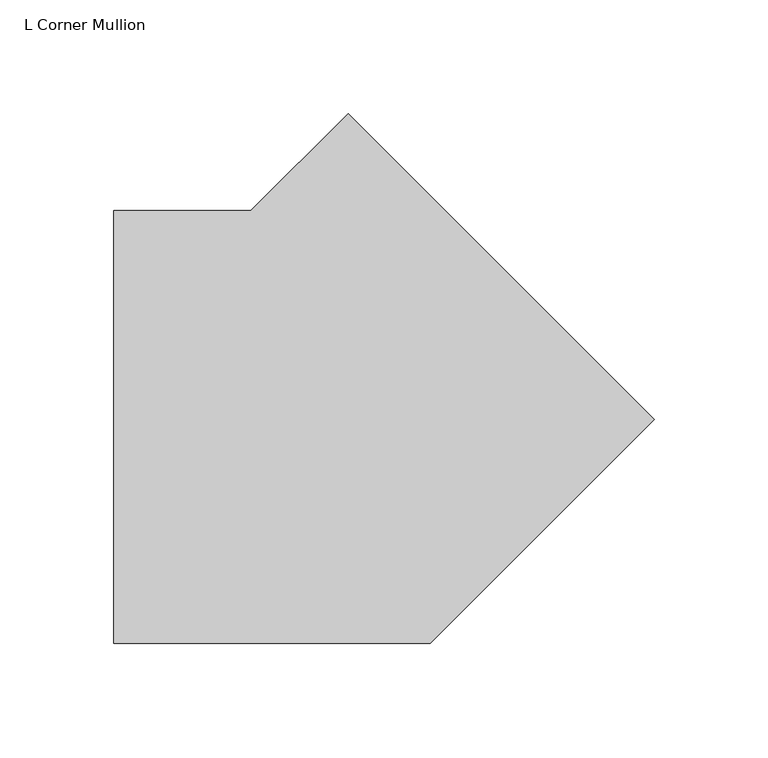
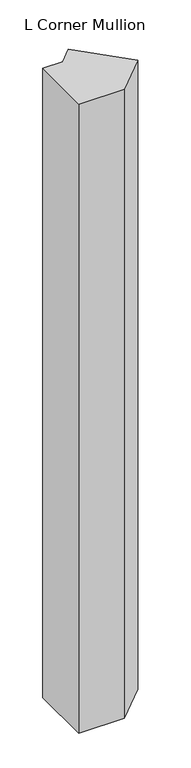
"""IFC4 building model written with IfcOpenShell, lengths in millimetres: member geometry, L Corner Mullion."""

from ifc_helpers import new_model, si_unit, frame, origin, place, context, project, spatial, polyline, outline, extrude, source, transform, mapped, element, save


def l_corner_mullion_6b1cfe5e(model_context):
    return source(origin(), model_context, "Body", "SweptSolid", [
        extrude(outline(polyline([(161.6034264, -53.9227205), (63.1261469, -152.4), (-76.1417574, -152.4), (-76.1417574, 38.1), (-15.7815367, 38.1), (26.8995846, 80.7811214), (161.6034264, -53.9227205)])), frame((0.0, 0.0, -2043.7430277), z_axis=(0.0, 0.0, 1.0), x_axis=(1.0, 0.0, 0.0)), (0.0, 0.0, 1.0), 2043.7430277),
    ])


if __name__ == "__main__":
    model = new_model("IFC4")
    model_context = context("Model", 3, world=origin())
    ifc_project = project(units=[si_unit("LENGTHUNIT", "METRE", prefix="MILLI")], contexts=[model_context])
    site = spatial("IfcSite", under=ifc_project)
    building = spatial("IfcBuilding", under=site)
    placement = place(None, origin())
    l_corner_mullion_shape = l_corner_mullion_6b1cfe5e(model_context)
    element("IfcMember", 1, ObjectType="L Corner Mullion", at=placement, inside=building, context=model_context, shape_type="MappedRepresentation", body=[
        mapped(l_corner_mullion_shape, transform((0.0, 0.0, 0.0), x_axis=(1.0, 0.0, 0.0), y_axis=(0.0, 1.0, 0.0), z_axis=(0.0, 0.0, 1.0))),
    ])
    save(model, "model.ifc")
